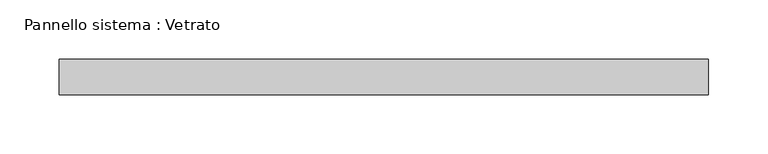
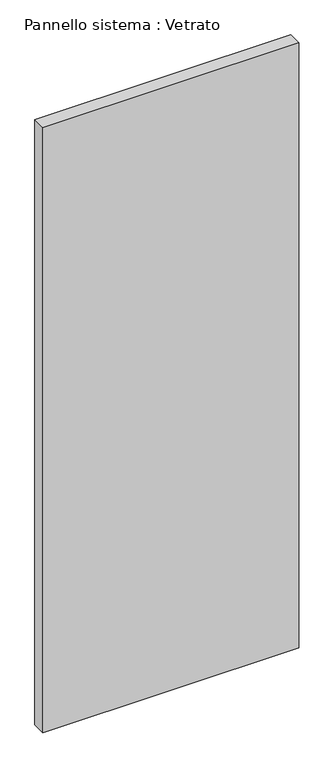
"""IFC4 building model written with IfcOpenShell, lengths in millimetres: plate geometry, Pannello sistema : Vetrato."""

from ifc_helpers import new_model, si_unit, origin, origin_with_axes, place, context, project, spatial, polyline, outline, extrude, source, transform, mapped, element, save


def pannello_sistema_vetrato_b169fac8(model_context):
    return source(origin(), model_context, "Body", "SweptSolid", [
        extrude(outline(polyline([(274.7944881, -15.0), (-274.7944881, -15.0), (-274.7944881, 15.0), (274.7944881, 15.0), (274.7944881, -15.0)])), origin_with_axes(), (0.0, 0.0, 1.0), 1375.0),
    ])


if __name__ == "__main__":
    model = new_model("IFC4")
    model_context = context("Model", 3, world=origin())
    ifc_project = project(units=[si_unit("LENGTHUNIT", "METRE", prefix="MILLI")], contexts=[model_context])
    site = spatial("IfcSite", under=ifc_project)
    building = spatial("IfcBuilding", under=site)
    placement = place(None, origin())
    pannello_sistema_vetrato_shape = pannello_sistema_vetrato_b169fac8(model_context)
    element("IfcPlate", 1, ObjectType="Pannello sistema : Vetrato", at=placement, inside=building, context=model_context, shape_type="MappedRepresentation", body=[
        mapped(pannello_sistema_vetrato_shape, transform((0.0, 0.0, 0.0), x_axis=(1.0, 0.0, 0.0), y_axis=(0.0, 1.0, 0.0), z_axis=(0.0, 0.0, 1.0))),
    ])
    save(model, "model.ifc")
